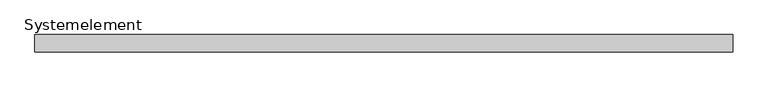
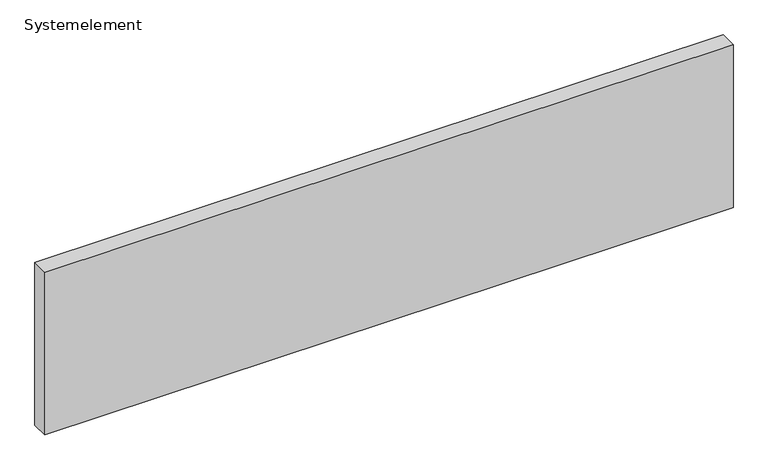
"""IFC4 building model written with IfcOpenShell, lengths in millimetres: plate geometry, Systemelement."""

from ifc_helpers import new_model, si_unit, origin, origin_with_axes, place, context, project, spatial, polyline, outline, extrude, source, transform, mapped, element, save


def systemelement_20208b27(model_context):
    return source(origin(), model_context, "Body", "SweptSolid", [
        extrude(outline(polyline([(2000.0, -100.0), (-2000.0, -100.0), (-2000.0, 0.0), (2000.0, 0.0), (2000.0, -100.0)])), origin_with_axes(), (0.0, 0.0, 1.0), 1000.0),
    ])


if __name__ == "__main__":
    model = new_model("IFC4")
    model_context = context("Model", 3, world=origin())
    ifc_project = project(units=[si_unit("LENGTHUNIT", "METRE", prefix="MILLI")], contexts=[model_context])
    site = spatial("IfcSite", under=ifc_project)
    building = spatial("IfcBuilding", under=site)
    placement = place(None, origin())
    systemelement_shape = systemelement_20208b27(model_context)
    element("IfcPlate", 1, ObjectType="Systemelement", at=placement, inside=building, context=model_context, shape_type="MappedRepresentation", body=[
        mapped(systemelement_shape, transform((0.0, 0.0, 0.0), x_axis=(1.0, 0.0, 0.0), y_axis=(0.0, 1.0, 0.0), z_axis=(0.0, 0.0, 1.0))),
    ])
    save(model, "model.ifc")
